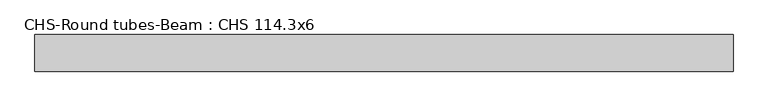
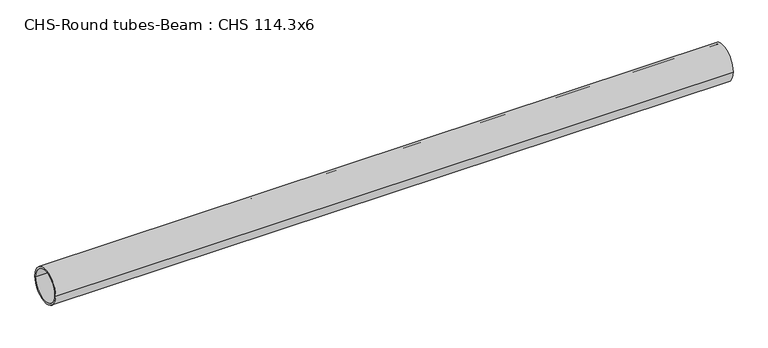
"""IFC4 building model written with IfcOpenShell, lengths in millimetres: beam geometry, CHS-Round tubes-Beam : CHS 114.3x6."""

from ifc_helpers import new_model, si_unit, point, frame, origin, origin_2d, place, context, project, spatial, circle_curve, trimmed, segment, composite_curve, outline, extrude, source, transform, mapped, element, save


def chs_round_tubes_beam_chs_114_3x6_985373a9(model_context):
    return source(origin(), model_context, "Body", "SweptSolid", [
        extrude(outline(composite_curve([segment(trimmed(circle_curve(origin_2d(), 57.15), [point((57.15, 0.0))], [point((-57.15, 0.0))], False, "CARTESIAN"), True, "CONTINUOUS"), segment(trimmed(circle_curve(origin_2d(), 57.15), [point((-57.15, 0.0))], [point((57.15, 0.0))], False, "CARTESIAN"), True, "CONTINUOUS")], self_intersect=False), holes=[composite_curve([segment(trimmed(circle_curve(origin_2d(), 51.15), [point((51.15, 0.0))], [point((-51.15, 0.0))], True, "CARTESIAN"), True, "CONTINUOUS"), segment(trimmed(circle_curve(origin_2d(), 51.15), [point((-51.15, 0.0))], [point((51.15, 0.0))], True, "CARTESIAN"), True, "CONTINUOUS")], self_intersect=False)]), frame((-950.0712065, 0.0, 0.0), z_axis=(1.0, 0.0, 0.0), x_axis=(0.0, 1.0, 0.0)), (0.0, 0.0, 1.0), 2178.2242546),
    ])


if __name__ == "__main__":
    model = new_model("IFC4")
    model_context = context("Model", 3, world=origin())
    ifc_project = project(units=[si_unit("LENGTHUNIT", "METRE", prefix="MILLI")], contexts=[model_context])
    site = spatial("IfcSite", under=ifc_project)
    building = spatial("IfcBuilding", under=site)
    placement = place(None, origin())
    chs_round_tubes_beam_chs_114_3x6_shape = chs_round_tubes_beam_chs_114_3x6_985373a9(model_context)
    element("IfcBeam", 1, ObjectType="CHS-Round tubes-Beam : CHS 114.3x6", at=placement, inside=building, context=model_context, shape_type="MappedRepresentation", body=[
        mapped(chs_round_tubes_beam_chs_114_3x6_shape, transform((0.0, 0.0, 0.0), x_axis=(1.0, 0.0, 0.0), y_axis=(0.0, 1.0, 0.0), z_axis=(0.0, 0.0, 1.0))),
    ])
    save(model, "model.ifc")
